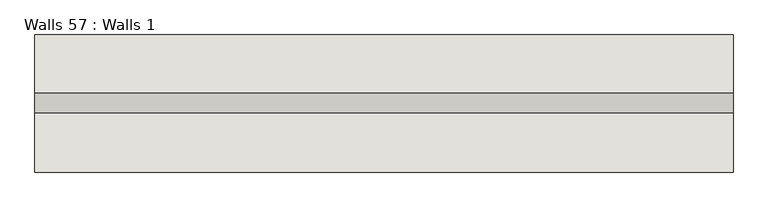
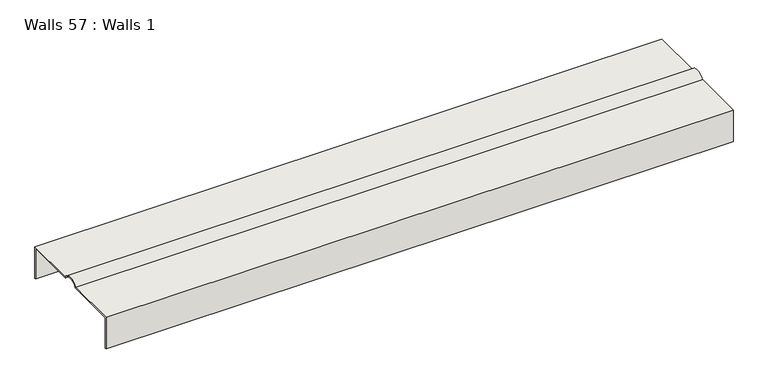
"""IFC4 building model written with IfcOpenShell, lengths in millimetres: wall geometry, Walls 57 : Walls 1."""

from ifc_helpers import new_model, si_unit, point, frame, frame_2d, origin, place, context, project, spatial, polyline, circle_curve, trimmed, segment, composite_curve, outline, extrude, source, transform, mapped, element, save


def walls_57_walls_1_2e051ea5(model_context):
    return source(origin(), model_context, "Body", "SweptSolid", [
        extrude(outline(composite_curve([segment(polyline([(2496.6375696, 155.575), (2496.6375696, 57.15), (2493.4625696, 57.15), (2493.4625696, 158.75), (2653.6499864, 158.75)]), True, "CONTINUOUS"), segment(trimmed(circle_curve(frame_2d((2681.2356014, 140.0381846)), 33.3331395), [point((2653.6499864, 158.75))], [point((2708.8212164, 158.75))], False, "CARTESIAN"), True, "CONTINUOUS"), segment(polyline([(2708.8212164, 158.75), (2867.660393, 158.75), (2867.660393, 57.15), (2864.485393, 57.15), (2864.485393, 155.575), (2707.0836331, 155.575)]), True, "CONTINUOUS"), segment(trimmed(circle_curve(frame_2d((2681.2356014, 140.0381846)), 30.1581395), [point((2707.0836331, 155.575))], [point((2655.3875696, 155.575))], True, "CARTESIAN"), True, "CONTINUOUS"), segment(polyline([(2655.3875696, 155.575), (2496.6375696, 155.575)]), True, "CONTINUOUS")], self_intersect=False)), frame((-951.7491178, 0.0, 0.0), z_axis=(1.0, 0.0, 0.0), x_axis=(0.0, 1.0, 0.0)), (0.0, 0.0, 1.0), 1905.0),
    ])


if __name__ == "__main__":
    model = new_model("IFC4")
    model_context = context("Model", 3, world=origin())
    ifc_project = project(units=[si_unit("LENGTHUNIT", "METRE", prefix="MILLI")], contexts=[model_context])
    site = spatial("IfcSite", under=ifc_project)
    building = spatial("IfcBuilding", under=site)
    placement = place(None, origin())
    walls_57_walls_1_shape = walls_57_walls_1_2e051ea5(model_context)
    element("IfcWall", 1, ObjectType="Walls 57 : Walls 1", at=placement, inside=building, context=model_context, shape_type="MappedRepresentation", body=[
        mapped(walls_57_walls_1_shape, transform((0.0, 0.0, 0.0), x_axis=(1.0, 0.0, 0.0), y_axis=(0.0, 1.0, 0.0), z_axis=(0.0, 0.0, 1.0))),
    ])
    save(model, "model.ifc")
